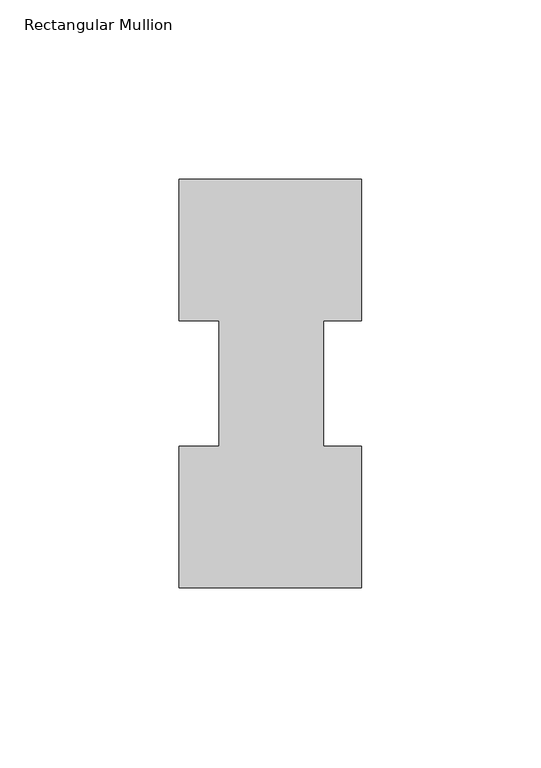
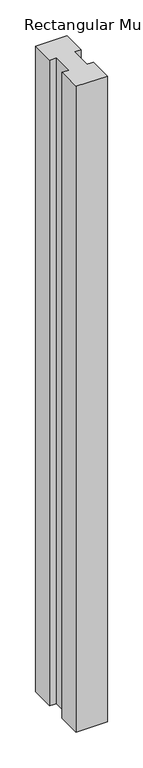
"""IFC4 building model written with IfcOpenShell, lengths in millimetres: member geometry, Rectangular Mullion."""

from ifc_helpers import new_model, si_unit, frame, origin, place, context, project, spatial, polyline, outline, extrude, source, transform, mapped, element, save


def rectangular_mullion_5f7386c4(model_context):
    return source(origin(), model_context, "Body", "SweptSolid", [
        extrude(outline(polyline([(-50.8, 114.017425), (0.0, 114.017425), (0.0, 74.596625), (-10.5663987, 74.596625), (-10.5663987, 39.620825), (0.0, 39.620825), (0.0, 0.225425), (-50.8, 0.225425), (-50.8, 39.620825), (-39.6875, 39.620825), (-39.6875, 74.596625), (-50.8, 74.596625), (-50.8, 114.017425)])), frame((0.0, 0.0, -1104.9), z_axis=(0.0, 0.0, 1.0), x_axis=(1.0, 0.0, 0.0)), (0.0, 0.0, 1.0), 1104.9),
    ])


if __name__ == "__main__":
    model = new_model("IFC4")
    model_context = context("Model", 3, world=origin())
    ifc_project = project(units=[si_unit("LENGTHUNIT", "METRE", prefix="MILLI")], contexts=[model_context])
    site = spatial("IfcSite", under=ifc_project)
    building = spatial("IfcBuilding", under=site)
    placement = place(None, origin())
    rectangular_mullion_shape = rectangular_mullion_5f7386c4(model_context)
    element("IfcMember", 1, ObjectType="Rectangular Mullion", at=placement, inside=building, context=model_context, shape_type="MappedRepresentation", body=[
        mapped(rectangular_mullion_shape, transform((0.0, 0.0, 0.0), x_axis=(1.0, 0.0, 0.0), y_axis=(0.0, 1.0, 0.0), z_axis=(0.0, 0.0, 1.0))),
    ])
    save(model, "model.ifc")
